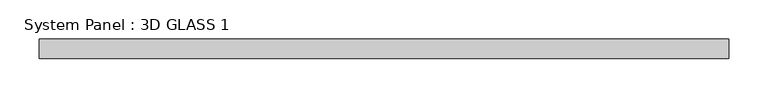
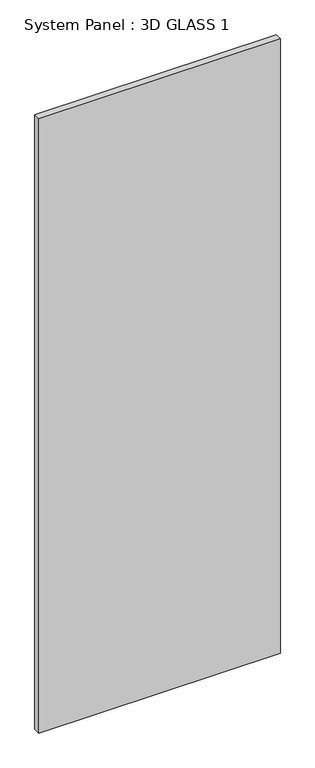
"""IFC4 building model written with IfcOpenShell, lengths in millimetres: plate geometry, System Panel : 3D GLASS 1."""

import ifcopenshell
import ifcopenshell.guid

model = None  # the IFC model being written
_history = None  # IfcOwnerHistory: only IFC2X3 demands one
_inside = {}  # id of a spatial element -> (the spatial element, [elements in it])
_under = {}  # id of a project, library or spatial element -> (it, [spatial elements below it])
_declared = {}  # id of a project -> (the project, [libraries it declares])
_typed = {}  # id of a type object -> (the type object, [elements of that type])
_made_of = {}  # id of a material, layer set ... -> (it, [elements and type objects made of it])


def new_model(schema):
    """Start an empty IFC model of exactly this schema.

    Asked for "IFC4X3", IfcOpenShell would pick the latest addendum, in which some entities
    have other attributes; the version numbers below select the first issue.
    IFC2X3 requires an IfcOwnerHistory on every rooted entity: one is made here for all.
    """
    global model, _history
    if schema == "IFC4X3":
        model = ifcopenshell.file(schema_version=(4, 3, 0, 0))
    else:
        model = ifcopenshell.file(schema=schema)
    _inside.clear()
    _under.clear()
    _declared.clear()
    _typed.clear()
    _made_of.clear()
    _history = None
    if model.schema == "IFC2X3":
        org = make("IfcOrganization", Name="unknown")
        user = make(
            "IfcPersonAndOrganization",
            ThePerson=make("IfcPerson", FamilyName="unknown"),
            TheOrganization=org,
        )
        app = make(
            "IfcApplication",
            ApplicationDeveloper=org,
            Version="unknown",
            ApplicationFullName="unknown",
            ApplicationIdentifier="unknown",
        )
        _history = make(
            "IfcOwnerHistory",
            OwningUser=user,
            OwningApplication=app,
            ChangeAction="ADDED",
            CreationDate=0,
        )
    return model


def make(cls, **values):
    """One entity of the class cls with the attributes given. An attribute that is None is left unset."""
    return model.create_entity(
        cls, **{name: value for name, value in values.items() if value is not None}
    )


def rooted(cls, **values):
    """An entity with a GlobalId (a new one), such as an element, a storey or a relation."""
    return make(cls, GlobalId=ifcopenshell.guid.new(), OwnerHistory=_history, **values)


def si_unit(unit_type, name, prefix=None):
    """IfcSIUnit, for example si_unit("LENGTHUNIT", "METRE", prefix="MILLI")."""
    return make("IfcSIUnit", UnitType=unit_type, Prefix=prefix, Name=name)


def assignment(units):
    """IfcUnitAssignment: the units of a project."""
    return None if units is None else make("IfcUnitAssignment", Units=units)


def point(xyz):
    """IfcCartesianPoint."""
    return None if xyz is None else make("IfcCartesianPoint", Coordinates=xyz)


def direction(xyz):
    """IfcDirection."""
    return None if xyz is None else make("IfcDirection", DirectionRatios=xyz)


def frame(location, z_axis=None, x_axis=None):
    """IfcAxis2Placement3D, a coordinate frame: its origin and axes. An axis left out is left unset."""
    return make(
        "IfcAxis2Placement3D",
        Location=point(location),
        Axis=direction(z_axis),
        RefDirection=direction(x_axis),
    )


def origin():
    """The frame at (0, 0, 0) with its axes left unset."""
    return frame((0.0, 0.0, 0.0))


def origin_with_axes():
    """The frame at (0, 0, 0) with the z axis (0, 0, 1) and the x axis (1, 0, 0) written out."""
    return frame((0.0, 0.0, 0.0), z_axis=(0.0, 0.0, 1.0), x_axis=(1.0, 0.0, 0.0))


def place(relative_to, where):
    """IfcLocalPlacement: puts the frame where relative to a parent placement (None: the world)."""
    return make(
        "IfcLocalPlacement", PlacementRelTo=relative_to, RelativePlacement=where
    )


def context(
    kind, dimensions, precision=None, world=None, true_north=None, identifier=None
):
    """IfcGeometricRepresentationContext, for example the 3D "Model" context."""
    return make(
        "IfcGeometricRepresentationContext",
        ContextIdentifier=identifier,
        ContextType=kind,
        CoordinateSpaceDimension=dimensions,
        Precision=precision,
        WorldCoordinateSystem=world,
        TrueNorth=true_north,
    )


def project(units=None, contexts=None):
    """IfcProject with its units and contexts."""
    return rooted(
        "IfcProject",
        Name="project",
        RepresentationContexts=contexts,
        UnitsInContext=assignment(units),
    )


def spatial(cls, under=None, at=None, **own):
    """A site, building, storey or space (cls), placed at a placement, below another one or the project."""
    s = rooted(cls, ObjectPlacement=at, **own)
    if under is not None:
        _under.setdefault(under.id(), (under, []))[1].append(s)
    return s


def polyline(points):
    """IfcPolyline through the points."""
    return make("IfcPolyline", Points=[point(p) for p in points])


def outline(outer, holes=None, kind="AREA"):
    """IfcArbitraryClosedProfileDef: a profile drawn as a closed curve; with holes, ...WithVoids."""
    if holes is None:
        return make("IfcArbitraryClosedProfileDef", ProfileType=kind, OuterCurve=outer)
    return make(
        "IfcArbitraryProfileDefWithVoids",
        ProfileType=kind,
        OuterCurve=outer,
        InnerCurves=holes,
    )


def extrude(swept, where, along, depth):
    """IfcExtrudedAreaSolid: the profile swept, set in the frame where, extruded along a direction by depth."""
    return make(
        "IfcExtrudedAreaSolid",
        SweptArea=swept,
        Position=where,
        ExtrudedDirection=direction(along),
        Depth=depth,
    )


def shape(context_of_items, identifier, shape_type, items):
    """IfcShapeRepresentation: the items that make up one representation, for example the "Body"."""
    return make(
        "IfcShapeRepresentation",
        ContextOfItems=context_of_items,
        RepresentationIdentifier=identifier,
        RepresentationType=shape_type,
        Items=items,
    )


def source(mapping_origin, context_of_items, identifier, shape_type, items):
    """IfcRepresentationMap: a shape defined once, which mapped items show again and again."""
    return make(
        "IfcRepresentationMap",
        MappingOrigin=mapping_origin,
        MappedRepresentation=shape(context_of_items, identifier, shape_type, items),
    )


def transform(
    local_origin,
    x_axis=None,
    y_axis=None,
    z_axis=None,
    scale=None,
    scale2=None,
    scale3=None,
    uniform=True,
):
    """IfcCartesianTransformationOperator3D, or its non-uniform kind. x_axis, y_axis, z_axis: its Axis1, 2, 3."""
    if uniform:
        return make(
            "IfcCartesianTransformationOperator3D",
            Axis1=direction(x_axis),
            Axis2=direction(y_axis),
            LocalOrigin=point(local_origin),
            Scale=scale,
            Axis3=direction(z_axis),
        )
    return make(
        "IfcCartesianTransformationOperator3DnonUniform",
        Axis1=direction(x_axis),
        Axis2=direction(y_axis),
        LocalOrigin=point(local_origin),
        Scale=scale,
        Axis3=direction(z_axis),
        Scale2=scale2,
        Scale3=scale3,
    )


def mapped(mapping_source, mapping_target):
    """IfcMappedItem: shows the shape of a source again, moved by a transform."""
    return make(
        "IfcMappedItem", MappingSource=mapping_source, MappingTarget=mapping_target
    )


def made_of(thing, what):
    """Note that an element or type object is made of a material, layer set ...; save() writes the relation."""
    if what is not None:
        _made_of.setdefault(what.id(), (what, []))[1].append(thing)
    return thing


def element(
    cls,
    number,
    at=None,
    inside=None,
    cuts=None,
    type_object=None,
    material=None,
    context=None,
    identifier="Body",
    shape_type=None,
    held_by="IfcProductDefinitionShape",
    body=None,
    shapes=None,
    **own,
):
    """One element of the class cls, such as IfcWall. Its Tag is "e" and its number.

    at: its placement. inside: the storey or other place that contains it. cuts: it is an
    opening in that element (IfcRelVoidsElement). A single representation is given by context,
    identifier, shape_type and body (its items); several are given by shapes. held_by: the class
    of the entity that holds the representations. save() writes the other relations.
    """
    e = rooted(cls, Tag="e%d" % number, ObjectPlacement=at, **own)
    if body is not None:
        shapes = [shape(context, identifier, shape_type, body)]
    if shapes is not None:
        e.Representation = make(held_by, Representations=shapes)
    if inside is not None:
        _inside.setdefault(inside.id(), (inside, []))[1].append(e)
    if cuts is not None:
        rooted(
            "IfcRelVoidsElement", RelatingBuildingElement=cuts, RelatedOpeningElement=e
        )
    if type_object is not None:
        _typed.setdefault(type_object.id(), (type_object, []))[1].append(e)
    return made_of(e, material)


def aggregate(whole, parts):
    """IfcRelAggregates: a whole, such as a stair, and the parts it consists of."""
    return rooted("IfcRelAggregates", RelatingObject=whole, RelatedObjects=parts)


def save(model, path):
    """Write the relations noted so far, then the file.

    IfcRelAggregates (storeys below a building ...), IfcRelContainedInSpatialStructure (elements
    in a storey), IfcRelDefinesByType, IfcRelAssociatesMaterial and IfcRelDeclares: one each for
    every whole, place, type object, material and project.
    """
    for whole, parts in _under.values():
        aggregate(whole, parts)
    for where, things in _inside.values():
        rooted(
            "IfcRelContainedInSpatialStructure",
            RelatedElements=things,
            RelatingStructure=where,
        )
    for kind, things in _typed.values():
        rooted("IfcRelDefinesByType", RelatedObjects=things, RelatingType=kind)
    for what, things in _made_of.values():
        rooted("IfcRelAssociatesMaterial", RelatedObjects=things, RelatingMaterial=what)
    for by, libraries in _declared.values():
        rooted("IfcRelDeclares", RelatingContext=by, RelatedDefinitions=libraries)
    model.write(path)


def system_panel_3d_glass_1_fcc003c8(model_context):
    return source(origin(), model_context, "Body", "SweptSolid", [
        extrude(outline(polyline([(440.928125, -12.7), (-440.928125, -12.7), (-440.928125, 12.7), (440.928125, 12.7), (440.928125, -12.7)])), origin_with_axes(), (0.0, 0.0, 1.0), 2369.3907666),
    ])


if __name__ == "__main__":
    model = new_model("IFC4")
    model_context = context("Model", 3, world=origin())
    ifc_project = project(units=[si_unit("LENGTHUNIT", "METRE", prefix="MILLI")], contexts=[model_context])
    site = spatial("IfcSite", under=ifc_project)
    building = spatial("IfcBuilding", under=site)
    placement = place(None, origin())
    system_panel_3d_glass_1_shape = system_panel_3d_glass_1_fcc003c8(model_context)
    element("IfcPlate", 1, ObjectType="System Panel : 3D GLASS 1", at=placement, inside=building, context=model_context, shape_type="MappedRepresentation", body=[
        mapped(system_panel_3d_glass_1_shape, transform((0.0, 0.0, 0.0), x_axis=(1.0, 0.0, 0.0), y_axis=(0.0, 1.0, 0.0), z_axis=(0.0, 0.0, 1.0))),
    ])
    save(model, "model.ifc")
